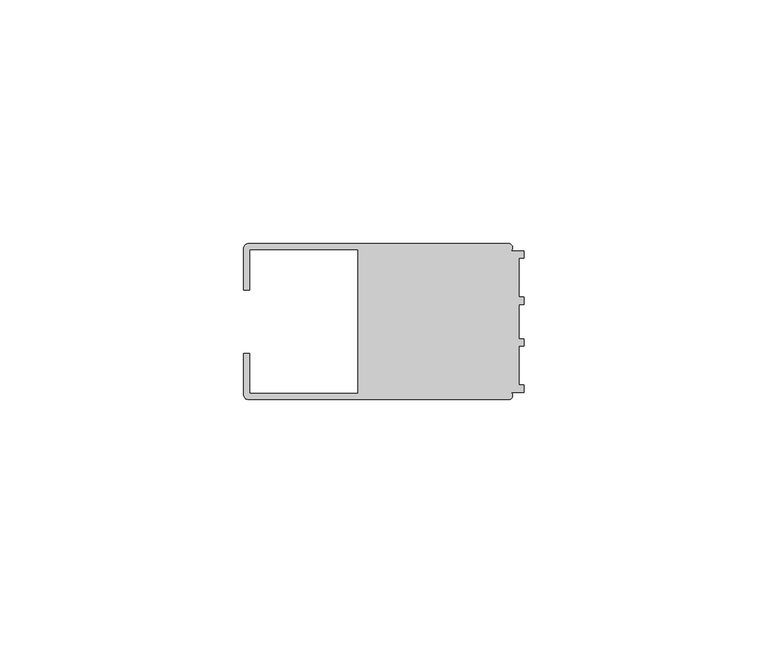
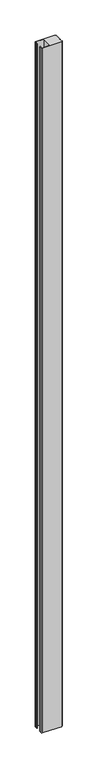
"""IFC4 building model written with IfcOpenShell, lengths in millimetres: member geometry."""

from ifc_helpers import new_model, si_unit, point, frame, frame_2d, origin, place, context, project, spatial, polyline, circle_curve, trimmed, segment, composite_curve, outline, extrude, source, transform, mapped, element, save


def member_93cef7d2(model_context):
    return source(origin(), model_context, "Body", "SweptSolid", [
        extrude(outline(composite_curve([segment(polyline([(-57.5, -6.4992596), (-56.2495396, -6.4992596), (-56.2495396, -14.748825), (-34.0, -14.748825), (-34.0, 14.7490791), (-56.2495396, 14.7490791), (-56.2495396, 6.4995138), (-57.5, 6.4995138), (-57.5, 14.9988146)]), True, "CONTINUOUS"), segment(trimmed(circle_curve(frame_2d((-56.4988146, 14.9988146)), 1.0011854), [point((-57.5, 14.9988146))], [point((-56.4988146, 16.0))], False, "CARTESIAN"), True, "CONTINUOUS"), segment(polyline([(-56.4988146, 16.0), (-3.1117213, 16.0)]), True, "CONTINUOUS"), segment(trimmed(circle_curve(frame_2d((-3.1117213, 15.2000428)), 0.7999572), [point((-3.1117213, 16.0))], [point((-2.7237818, 14.5004469))], False, "CARTESIAN"), True, "CONTINUOUS"), segment(polyline([(-2.7237818, 14.5004469), (0.0, 14.5004469), (0.0, 13.0002136), (-0.999267, 13.0002136), (-0.999267, 5.0005709), (0.0, 5.0005709), (0.0, 3.5391588), (-0.999267, 3.5001879), (-0.999267, -3.5001879), (0.0, -3.5378881), (0.0, -4.9993001), (-0.999267, -4.9993001), (-0.999267, -12.9993664), (0.0, -12.9993664), (0.0, -14.4989182), (-2.7260256, -14.4989182)]), True, "CONTINUOUS"), segment(trimmed(circle_curve(frame_2d((-3.1117577, -15.2001372)), 0.8003107), [point((-2.7260256, -14.4989182))], [point((-3.1385263, -16.0))], False, "CARTESIAN"), True, "CONTINUOUS"), segment(polyline([(-3.1385263, -16.0), (-56.498921, -16.0)]), True, "CONTINUOUS"), segment(trimmed(circle_curve(frame_2d((-56.498921, -14.998921)), 1.001079), [point((-56.498921, -16.0))], [point((-57.5, -14.998921))], False, "CARTESIAN"), True, "CONTINUOUS"), segment(polyline([(-57.5, -14.998921), (-57.5, -6.4992596)]), True, "CONTINUOUS")], self_intersect=False)), frame((0.0, 0.0, -1982.0), z_axis=(0.0, 0.0, 1.0), x_axis=(1.0, 0.0, 0.0)), (0.0, 0.0, 1.0), 1982.0),
    ])


if __name__ == "__main__":
    model = new_model("IFC4")
    model_context = context("Model", 3, world=origin())
    ifc_project = project(units=[si_unit("LENGTHUNIT", "METRE", prefix="MILLI")], contexts=[model_context])
    site = spatial("IfcSite", under=ifc_project)
    building = spatial("IfcBuilding", under=site)
    placement = place(None, origin())
    member_shape = member_93cef7d2(model_context)
    element("IfcMember", 1, at=placement, inside=building, context=model_context, shape_type="MappedRepresentation", body=[
        mapped(member_shape, transform((0.0, 0.0, 0.0), x_axis=(1.0, 0.0, 0.0), y_axis=(0.0, 1.0, 0.0), z_axis=(0.0, 0.0, 1.0))),
    ])
    save(model, "model.ifc")
